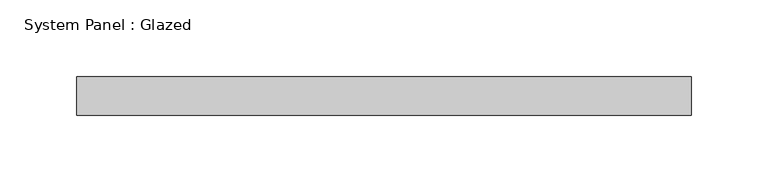
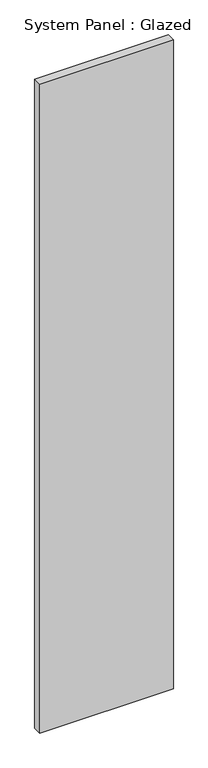
"""IFC4 building model written with IfcOpenShell, lengths in millimetres: plate geometry, System Panel : Glazed."""

from ifc_helpers import new_model, si_unit, origin, origin_with_axes, place, context, project, spatial, polyline, outline, extrude, source, transform, mapped, element, save


def system_panel_glazed_22c6f4ca(model_context):
    return source(origin(), model_context, "Body", "SweptSolid", [
        extrude(outline(polyline([(199.9999998, 24.5), (-199.9999998, 24.5), (-199.9999998, 49.5), (199.9999998, 49.5), (199.9999998, 24.5)])), origin_with_axes(), (0.0, 0.0, 1.0), 2051.3535595),
    ])


if __name__ == "__main__":
    model = new_model("IFC4")
    model_context = context("Model", 3, world=origin())
    ifc_project = project(units=[si_unit("LENGTHUNIT", "METRE", prefix="MILLI")], contexts=[model_context])
    site = spatial("IfcSite", under=ifc_project)
    building = spatial("IfcBuilding", under=site)
    placement = place(None, origin())
    system_panel_glazed_shape = system_panel_glazed_22c6f4ca(model_context)
    element("IfcPlate", 1, ObjectType="System Panel : Glazed", at=placement, inside=building, context=model_context, shape_type="MappedRepresentation", body=[
        mapped(system_panel_glazed_shape, transform((0.0, 0.0, 0.0), x_axis=(1.0, 0.0, 0.0), y_axis=(0.0, 1.0, 0.0), z_axis=(0.0, 0.0, 1.0))),
    ])
    save(model, "model.ifc")
